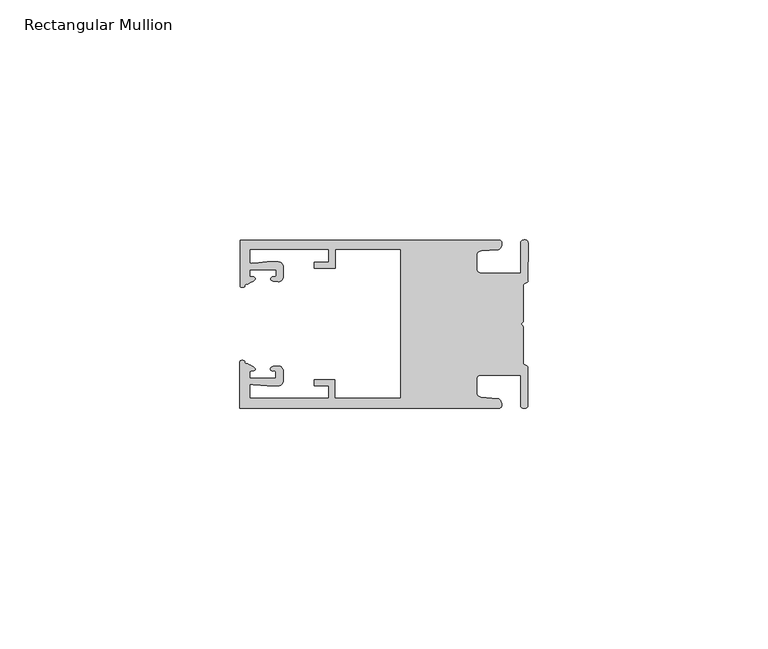
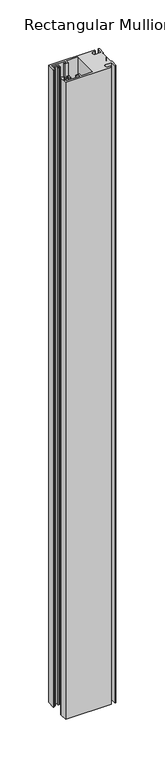
"""IFC4 building model written with IfcOpenShell, lengths in millimetres: member geometry, Rectangular Mullion."""

from ifc_helpers import new_model, si_unit, frame, origin, place, context, project, spatial, circle_curve, source, transform, mapped, element, save
from ifc_brep_helpers import plane_surface, cylinder_surface, extruded_surface, spline_curve, advanced_brep


def rectangular_mullion_fbc78e0f(model_context):
    return source(origin(), model_context, "Body", "AdvancedBrep", [
        advanced_brep(
        [(-60.0749377, 17.5111528, 0.0), (-60.0749377, 8.0140787, 0.0), (-59.3252567, 7.7187455, 0.0), (-58.4967974, 8.36785, 0.0), (-58.0726619, 10.1173923, 0.0), (-58.0713101, 11.3673916, 0.0), (-52.5713133, 11.3614437, 0.0), (-52.5726651, 10.1114444, 0.0), (-53.1427626, 8.8955539, 0.0), (-52.0740172, 8.8609044, 0.0), (-51.0729364, 9.8598224, 0.0), (-51.0706653, 11.9598211, 0.0), (-52.0700692, 12.9609024, 0.0), (-54.3905105, 12.9622843, 0.0), (-57.1599646, 12.7230061, 0.0), (-58.0696339, 12.9173907, 0.0), (-58.066768, 15.5673891, 0.0), (-41.5667584, 15.5673891, 0.0), (-41.5695894, 12.9495468, 0.0), (-44.5695877, 12.9527912, 0.0), (-44.5709936, 11.6527919, 0.0), (-40.2709961, 11.6481417, 0.0), (-40.2667576, 15.5673891, 0.0), (-26.6002952, 15.5673891, 0.0), (-26.6002952, -15.4518424, 0.0), (-40.3003032, -15.4518424, 0.0), (-40.2960856, -11.5518447, 0.0), (-44.5960831, -11.5471945, 0.0), (-44.597489, -12.8471938, 0.0), (-41.5974907, -12.8504381, 0.0), (-41.6003025, -15.4504366, 0.0), (-58.1002928, -15.4325927, 0.0), (-58.097427, -12.7825943, 0.0), (-57.1873395, -12.5901776, 0.0), (-54.4184094, -12.8354453, 0.0), (-52.0979705, -12.8390822, 0.0), (-51.0964037, -11.8401649, 0.0), (-51.0941327, -9.7401662, 0.0), (-52.0930507, -8.7390853, 0.0), (-53.1618685, -8.7714231, 0.0), (-52.5944022, -9.9885439, 0.0), (-52.595754, -11.2385431, 0.0), (-58.0957508, -11.2325952, 0.0), (-58.094399, -9.9825959, 0.0), (-58.5147494, -8.2321403, 0.0), (-59.3418028, -7.5812455, 0.0), (-60.0921208, -7.8749565, 0.0), (-60.0921208, -17.4888267, 0.0), (-6.1024861, -17.4888267, 0.0), (-6.5218639, -15.488372, 0.0), (-9.8784944, -15.2205466, 0.0), (-10.7989567, -14.2226333, 0.0), (-10.7961029, -11.5837474, 0.0), (-9.8734844, -10.5878272, 0.0), (-1.5950266, -10.5934991, 0.0), (-1.601948, -16.9936935, 0.0), (-0.1017194, -16.7830581, 0.0), (-0.0933208, -9.0170082, 0.0), (-1.0923837, -8.1499018, 0.0), (-1.0842165, -0.5977972, 0.0), (-1.0829111, 0.6093089, 0.0), (-1.0747439, 8.1614135, 0.0), (-0.0738079, 9.026357, 0.0), (-0.0654093, 16.7924069, 0.0), (-1.5651789, 17.0062866, 0.0), (-1.5651789, 10.6183257, 0.0), (-9.8505511, 10.6183257, 0.0), (-10.7710133, 11.6162391, 0.0), (-10.7681595, 14.255125, 0.0), (-9.845541, 15.2510452, 0.0), (-6.4883391, 15.5116099, 0.0), (-6.0646356, 17.5111528, 0.0), (-60.0749377, 17.5111528, -800.0), (-6.0646356, 17.5111528, -800.0), (-6.4883391, 15.5116099, -800.0), (-9.845541, 15.2510452, -800.0), (-10.7681595, 14.255125, -800.0), (-10.7710133, 11.6162391, -800.0), (-9.8505511, 10.6183257, -800.0), (-1.5651789, 10.6183257, -800.0), (-1.5651789, 17.0062866, -800.0), (-0.0654093, 16.7924069, -800.0), (-0.0738079, 9.026357, -800.0), (-1.0747439, 8.1614135, -800.0), (-1.0829111, 0.6093089, -800.0), (-1.0842165, -0.5977972, -800.0), (-1.0923837, -8.1499018, -800.0), (-0.0933208, -9.0170082, -800.0), (-0.1017194, -16.7830581, -800.0), (-1.601948, -16.9936935, -800.0), (-1.5950266, -10.5934991, -800.0), (-9.8734844, -10.5878272, -800.0), (-10.7961029, -11.5837474, -800.0), (-10.7989567, -14.2226333, -800.0), (-9.8784944, -15.2205466, -800.0), (-6.5218639, -15.488372, -800.0), (-6.1024861, -17.4888267, -800.0), (-60.0921208, -17.4888267, -800.0), (-60.0921208, -7.8749565, -800.0), (-59.3418028, -7.5812455, -800.0), (-58.5147494, -8.2321403, -800.0), (-58.094399, -9.9825959, -800.0), (-58.0957508, -11.2325952, -800.0), (-52.595754, -11.2385431, -800.0), (-52.5944022, -9.9885439, -800.0), (-53.1618685, -8.7714231, -800.0), (-52.0930507, -8.7390853, -800.0), (-51.0941327, -9.7401662, -800.0), (-51.0964037, -11.8401649, -800.0), (-52.0979705, -12.8390823, -800.0), (-54.4184094, -12.8354453, -800.0), (-57.1873395, -12.5901776, -800.0), (-58.097427, -12.7825943, -800.0), (-58.1002928, -15.4325927, -800.0), (-41.6003025, -15.4504366, -800.0), (-41.5974907, -12.8504381, -800.0), (-44.597489, -12.8471938, -800.0), (-44.5960831, -11.5471945, -800.0), (-40.2960856, -11.5518447, -800.0), (-40.3003032, -15.4518424, -800.0), (-26.6002952, -15.4518424, -800.0), (-26.6002952, 15.5673891, -800.0), (-40.2667576, 15.5673891, -800.0), (-40.2709961, 11.6481417, -800.0), (-44.5709936, 11.6527919, -800.0), (-44.5695877, 12.9527912, -800.0), (-41.5695894, 12.9495468, -800.0), (-41.5667584, 15.5673891, -800.0), (-58.066768, 15.5673891, -800.0), (-58.0696339, 12.9173907, -800.0), (-57.1599646, 12.7230061, -800.0), (-54.3905105, 12.9622843, -800.0), (-52.0700692, 12.9609023, -800.0), (-51.0706653, 11.9598211, -800.0), (-51.0729364, 9.8598224, -800.0), (-52.0740172, 8.8609044, -800.0), (-53.1427626, 8.8955539, -800.0), (-52.5726651, 10.1114444, -800.0), (-52.5713133, 11.3614437, -800.0), (-58.0713101, 11.3673916, -800.0), (-58.0726619, 10.1173923, -800.0), (-58.4967974, 8.36785, -800.0), (-59.3252567, 7.7187455, -800.0), (-60.0749377, 8.0140787, -800.0)],
        [
            (0, 1),
            (1, 2, spline_curve(3, [(-60.0749377, 8.0140787, 0.0), (-60.075233123, 7.740904774, 0.0), (-59.825339491, 7.642460332, 0.0), (-59.3252567, 7.7187455, 0.0)], [4, 4], [0.0, 0.0019169337574178654])),
            (2, 3, spline_curve(3, [(-59.3252567, 7.7187455, 0.0), (-59.094460914, 7.75918372, 0.0), (-59.054835463, 7.902257199, 0.0), (-59.05559987, 8.233305614, 0.0), (-59.138729113, 8.4134359, 0.0), (-58.4967974, 8.36785, 0.0)], [4, 2, 4], [0.0, 0.0010199524164107188, 0.0024874514725970356])),
            (3, 4, spline_curve(3, [(-58.4967974, 8.36785, 0.0), (-57.022393378, 9.053435667, 0.0), (-56.827266887, 9.364828726, 0.0), (-56.982213078, 9.742623404, 0.0), (-57.177375211, 9.855581791, 0.0), (-57.697928101, 9.887955071, 0.0), (-57.997449153, 9.835475348, 0.0), (-58.0726619, 10.1173923, 0.0)], [4, 2, 2, 4], [0.0, 0.003269869179570428, 0.005490050486237203, 0.0073545767114364426])),
            (4, 5),
            (5, 6),
            (6, 7),
            (7, 8, spline_curve(3, [(-52.5726651, 10.1114444, 0.0), (-52.667195519, 9.760172042, 0.0), (-52.937094388, 9.861877724, 0.0), (-53.356237032, 9.895631753, 0.0), (-53.491940439, 9.811038713, 0.0), (-53.761900775, 9.511438033, 0.0), (-53.892893546, 9.278787104, 0.0), (-53.1427626, 8.8955539, 0.0)], [4, 2, 2, 4], [0.0, 0.001593963049934732, 0.0033360256320283306, 0.005339140673503943])),
            (8, 9),
            (9, 10, circle_curve(frame((-52.0729358, 9.8609038, 0.0), z_axis=(0.0, 0.0, 1.0), x_axis=(-0.0010814451158600304, -0.9999994152380598, 0.0)), 1.0)),
            (10, 11),
            (11, 12, circle_curve(frame((-52.0706647, 11.9609026, 0.0), z_axis=(0.0, 0.0, 1.0), x_axis=(-0.0010814451158600304, -0.9999994152380598, 0.0)), 1.0)),
            (12, 13),
            (13, 14),
            (14, 15, spline_curve(3, [(-57.1599646, 12.7230061, 0.0), (-57.631533854, 12.682262968, 0.0), (-58.018602985, 12.477800124, 0.0), (-58.0696339, 12.9173907, 0.0)], [4, 4], [0.0, 0.0014803385355886016])),
            (15, 16),
            (16, 17),
            (17, 18),
            (18, 19),
            (19, 20),
            (20, 21),
            (21, 22),
            (22, 23),
            (23, 24),
            (24, 25),
            (25, 26),
            (26, 27),
            (27, 28),
            (28, 29),
            (29, 30),
            (30, 31),
            (31, 32),
            (32, 33, spline_curve(3, [(-58.097427, -12.7825943, 0.0), (-58.045445419, -12.343115126, 0.0), (-57.658819528, -12.548414611, 0.0), (-57.1873395, -12.5901776, 0.0)], [4, 4], [0.0, 0.0014803385355886016])),
            (33, 34),
            (34, 35),
            (35, 36, circle_curve(frame((-52.0964031, -11.8390835, 0.0), z_axis=(0.0, 0.0, 1.0), x_axis=(0.0010814451158600304, 0.9999994152380598, 0.0)), 1.0)),
            (36, 37),
            (37, 38, circle_curve(frame((-52.0941321, -9.7390847, 0.0), z_axis=(0.0, 0.0, 1.0), x_axis=(0.0010814451158600304, 0.9999994152380598, 0.0)), 1.0)),
            (38, 39),
            (39, 40, spline_curve(3, [(-53.1618685, -8.7714231, 0.0), (-53.912826582, -9.153032958, 0.0), (-53.782337352, -9.385966711, 0.0), (-53.51302565, -9.686150585, 0.0), (-53.377505444, -9.771037009, 0.0), (-52.958290774, -9.738189618, 0.0), (-52.688172635, -9.637067904, 0.0), (-52.5944022, -9.9885439, 0.0)], [4, 2, 2, 4], [0.0, 0.002003115041475612, 0.0037451776235692107, 0.005339140673503943])),
            (40, 41),
            (41, 42),
            (42, 43),
            (43, 44, spline_curve(3, [(-58.094399, -9.9825959, 0.0), (-58.018576674, -9.700842284, 0.0), (-57.719169706, -9.753969703, 0.0), (-57.198548014, -9.722722397, 0.0), (-57.003142178, -9.61018632, 0.0), (-56.847379222, -9.232727657, 0.0), (-57.041831673, -8.920913336, 0.0), (-58.5147494, -8.2321403, 0.0)], [4, 2, 2, 4], [0.0, 0.0018645262251992395, 0.004084707531866015, 0.0073545767114364426])),
            (44, 45, spline_curve(3, [(-58.5147494, -8.2321403, 0.0), (-59.156778208, -8.276337666, 0.0), (-59.073259494, -8.096387681, 0.0), (-59.071779067, -7.765341694, 0.0), (-59.111095017, -7.622182811, 0.0), (-59.3418028, -7.5812455, 0.0)], [4, 2, 4], [0.0, 0.0014674990561863168, 0.0024874514725970356])),
            (45, 46, spline_curve(3, [(-59.3418028, -7.5812455, 0.0), (-59.841719425, -7.503878887, 0.0), (-60.091825377, -7.601782574, 0.0), (-60.0921208, -7.8749565, 0.0)], [4, 4], [0.0, 0.0019169337574178654])),
            (46, 47),
            (47, 48),
            (48, 49, spline_curve(3, [(-6.1024861, -17.4888267, 0.0), (-5.074532184, -17.418062188, 0.0), (-5.631140689, -15.411414367, 0.0), (-6.5218639, -15.488372, 0.0)], [4, 4], [0.0, 0.0043819361547461745])),
            (49, 50),
            (50, 51, spline_curve(3, [(-9.8784944, -15.2205466, 0.0), (-10.440691543, -15.150698463, 0.0), (-10.74751234, -14.818060727, 0.0), (-10.7989567, -14.2226333, 0.0)], [4, 4], [0.0, 0.0028645797420738927])),
            (51, 52),
            (52, 53, spline_curve(3, [(-10.7961029, -11.5837474, 0.0), (-10.743370817, -10.988432634, 0.0), (-10.435831301, -10.656459204, 0.0), (-9.8734844, -10.5878272, 0.0)], [4, 4], [0.0, 0.0028645797420738927])),
            (53, 54),
            (54, 55),
            (55, 56, spline_curve(3, [(-1.601948, -16.9936935, 0.0), (-1.655676874, -17.600261454, 0.0), (-0.043737403, -17.912795581, 0.0), (-0.1017194, -16.7830581, 0.0)], [4, 4], [0.0, 0.0036987374396357936])),
            (56, 57),
            (57, 58, spline_curve(3, [(-0.0933208, -9.0170082, 0.0), (-0.018818183, -8.695886697, 0.0), (-1.193434327, -8.459763043, 0.0), (-1.0923837, -8.1499018, 0.0)], [4, 4], [0.0, 0.002027216749630121])),
            (58, 59),
            (59, 60, spline_curve(3, [(-1.0842165, -0.5977972, 0.0), (-1.013223198, -0.445980437, 0.0), (-1.487945123, -0.206736825, 0.0), (-1.487409651, 0.231097965, 0.0), (-0.999110985, 0.429090391, 0.0), (-1.0829111, 0.6093089, 0.0)], [4, 2, 4], [0.0, 0.00249866671847065, 0.005031402919736269])),
            (60, 61),
            (61, 62, spline_curve(3, [(-1.0747439, 8.1614135, 0.0), (-1.175124095, 8.47149258, 0.0), (-7e-09, 8.705075107, 0.0), (-0.0738079, 9.026357, 0.0)], [4, 4], [0.0, 0.002027216749630121])),
            (62, 63),
            (63, 64, spline_curve(3, [(-0.0654093, 16.7924069, 0.0), (-0.004983942, 17.92201633, 0.0), (-1.617595709, 17.612969344, 0.0), (-1.5651789, 17.0062866, 0.0)], [4, 4], [0.0, 0.0036987374396357936])),
            (64, 65),
            (65, 66),
            (66, 67, spline_curve(3, [(-9.8505511, 10.6183257, 0.0), (-10.412748243, 10.688173837, 0.0), (-10.71956894, 11.020811673, 0.0), (-10.7710133, 11.6162391, 0.0)], [4, 4], [0.0, 0.0028645797420738927])),
            (67, 68),
            (68, 69, spline_curve(3, [(-10.7681595, 14.255125, 0.0), (-10.715427417, 14.850439766, 0.0), (-10.407887901, 15.182413196, 0.0), (-9.845541, 15.2510452, 0.0)], [4, 4], [0.0, 0.0028645797420738927])),
            (69, 70),
            (70, 71, spline_curve(3, [(-6.4883391, 15.5116099, 0.0), (-5.597784423, 15.432725911, 0.0), (-5.036837144, 17.438165103, 0.0), (-6.0646356, 17.5111528, 0.0)], [4, 4], [0.0, 0.0043819361547461745])),
            (71, 0),
            (72, 73),
            (73, 74, spline_curve(3, [(-6.0646356, 17.5111528, -800.0), (-5.036837144, 17.438165103, -800.0), (-5.597784423, 15.432725911, -800.0), (-6.4883391, 15.5116099, -800.0)], [4, 4], [0.0, 0.0043819361547461745])),
            (74, 75),
            (75, 76, spline_curve(3, [(-9.845541, 15.2510452, -800.0), (-10.407887901, 15.182413196, -800.0), (-10.715427417, 14.850439766, -800.0), (-10.7681595, 14.255125, -800.0)], [4, 4], [0.0, 0.0028645797420738927])),
            (76, 77),
            (77, 78, spline_curve(3, [(-10.7710133, 11.6162391, -800.0), (-10.71956894, 11.020811673, -800.0), (-10.412748243, 10.688173837, -800.0), (-9.8505511, 10.6183257, -800.0)], [4, 4], [0.0, 0.0028645797420738927])),
            (78, 79),
            (79, 80),
            (80, 81, spline_curve(3, [(-1.5651789, 17.0062866, -800.0), (-1.617595709, 17.612969344, -800.0), (-0.004983942, 17.92201633, -800.0), (-0.0654093, 16.7924069, -800.0)], [4, 4], [0.0, 0.0036987374396357936])),
            (81, 82),
            (82, 83, spline_curve(3, [(-0.0738079, 9.026357, -800.0), (-7e-09, 8.705075107, -800.0), (-1.175124095, 8.47149258, -800.0), (-1.0747439, 8.1614135, -800.0)], [4, 4], [0.0, 0.002027216749630121])),
            (83, 84),
            (84, 85, spline_curve(3, [(-1.0829111, 0.6093089, -800.0), (-0.999110985, 0.429090391, -800.0), (-1.487409651, 0.231097965, -800.0), (-1.487945123, -0.206736825, -800.0), (-1.013223198, -0.445980437, -800.0), (-1.0842165, -0.5977972, -800.0)], [4, 2, 4], [0.0, 0.002532736201265619, 0.005031402919736269])),
            (85, 86),
            (86, 87, spline_curve(3, [(-1.0923837, -8.1499018, -800.0), (-1.193434327, -8.459763043, -800.0), (-0.018818183, -8.695886697, -800.0), (-0.0933208, -9.0170082, -800.0)], [4, 4], [0.0, 0.002027216749630121])),
            (87, 88),
            (88, 89, spline_curve(3, [(-0.1017194, -16.7830581, -800.0), (-0.043737403, -17.912795581, -800.0), (-1.655676874, -17.600261454, -800.0), (-1.601948, -16.9936935, -800.0)], [4, 4], [0.0, 0.0036987374396357936])),
            (89, 90),
            (90, 91),
            (91, 92, spline_curve(3, [(-9.8734844, -10.5878272, -800.0), (-10.435831301, -10.656459204, -800.0), (-10.743370817, -10.988432634, -800.0), (-10.7961029, -11.5837474, -800.0)], [4, 4], [0.0, 0.0028645797420738927])),
            (92, 93),
            (93, 94, spline_curve(3, [(-10.7989567, -14.2226333, -800.0), (-10.74751234, -14.818060727, -800.0), (-10.440691543, -15.150698463, -800.0), (-9.8784944, -15.2205466, -800.0)], [4, 4], [0.0, 0.0028645797420738927])),
            (94, 95),
            (95, 96, spline_curve(3, [(-6.5218639, -15.488372, -800.0), (-5.631140689, -15.411414367, -800.0), (-5.074532184, -17.418062188, -800.0), (-6.1024861, -17.4888267, -800.0)], [4, 4], [0.0, 0.0043819361547461745])),
            (96, 97),
            (97, 98),
            (98, 99, spline_curve(3, [(-60.0921208, -7.8749565, -800.0), (-60.091825377, -7.601782574, -800.0), (-59.841719425, -7.503878887, -800.0), (-59.3418028, -7.5812455, -800.0)], [4, 4], [0.0, 0.0019169337574178654])),
            (99, 100, spline_curve(3, [(-59.3418028, -7.5812455, -800.0), (-59.111095017, -7.622182811, -800.0), (-59.071779067, -7.765341694, -800.0), (-59.073259494, -8.096387681, -800.0), (-59.156778208, -8.276337666, -800.0), (-58.5147494, -8.2321403, -800.0)], [4, 2, 4], [0.0, 0.0010199524164107188, 0.0024874514725970356])),
            (100, 101, spline_curve(3, [(-58.5147494, -8.2321403, -800.0), (-57.041831673, -8.920913336, -800.0), (-56.847379222, -9.232727657, -800.0), (-57.003142178, -9.61018632, -800.0), (-57.198548014, -9.722722397, -800.0), (-57.719169706, -9.753969703, -800.0), (-58.018576674, -9.700842284, -800.0), (-58.094399, -9.9825959, -800.0)], [4, 2, 2, 4], [0.0, 0.003269869179570428, 0.005490050486237203, 0.0073545767114364426])),
            (101, 102),
            (102, 103),
            (103, 104),
            (104, 105, spline_curve(3, [(-52.5944022, -9.9885439, -800.0), (-52.688172635, -9.637067904, -800.0), (-52.958290774, -9.738189618, -800.0), (-53.377505444, -9.771037009, -800.0), (-53.51302565, -9.686150585, -800.0), (-53.782337352, -9.385966711, -800.0), (-53.912826582, -9.153032958, -800.0), (-53.1618685, -8.7714231, -800.0)], [4, 2, 2, 4], [0.0, 0.001593963049934732, 0.0033360256320283306, 0.005339140673503943])),
            (105, 106),
            (106, 107, circle_curve(frame((-52.0941321, -9.7390847, -800.0), z_axis=(0.0, 0.0, -1.0), x_axis=(0.0010814451158600304, 0.9999994152380598, 0.0)), 1.0)),
            (107, 108),
            (108, 109, circle_curve(frame((-52.0964031, -11.8390835, -800.0), z_axis=(0.0, 0.0, -1.0), x_axis=(0.0010814451158600304, 0.9999994152380598, 0.0)), 1.0)),
            (109, 110),
            (110, 111),
            (111, 112, spline_curve(3, [(-57.1873395, -12.5901776, -800.0), (-57.658819528, -12.548414611, -800.0), (-58.045445419, -12.343115126, -800.0), (-58.097427, -12.7825943, -800.0)], [4, 4], [0.0, 0.0014803385355886016])),
            (112, 113),
            (113, 114),
            (114, 115),
            (115, 116),
            (116, 117),
            (117, 118),
            (118, 119),
            (119, 120),
            (120, 121),
            (121, 122),
            (122, 123),
            (123, 124),
            (124, 125),
            (125, 126),
            (126, 127),
            (127, 128),
            (128, 129),
            (129, 130, spline_curve(3, [(-58.0696339, 12.9173907, -800.0), (-58.018602985, 12.477800124, -800.0), (-57.631533854, 12.682262968, -800.0), (-57.1599646, 12.7230061, -800.0)], [4, 4], [0.0, 0.0014803385355886016])),
            (130, 131),
            (131, 132),
            (132, 133, circle_curve(frame((-52.0706647, 11.9609026, -800.0), z_axis=(0.0, 0.0, -1.0), x_axis=(-0.0010814451158600304, -0.9999994152380598, 0.0)), 1.0)),
            (133, 134),
            (134, 135, circle_curve(frame((-52.0729358, 9.8609038, -800.0), z_axis=(0.0, 0.0, -1.0), x_axis=(-0.0010814451158600304, -0.9999994152380598, 0.0)), 1.0)),
            (135, 136),
            (136, 137, spline_curve(3, [(-53.1427626, 8.8955539, -800.0), (-53.892893546, 9.278787104, -800.0), (-53.761900775, 9.511438033, -800.0), (-53.491940439, 9.811038713, -800.0), (-53.356237032, 9.895631753, -800.0), (-52.937094388, 9.861877724, -800.0), (-52.667195519, 9.760172042, -800.0), (-52.5726651, 10.1114444, -800.0)], [4, 2, 2, 4], [0.0, 0.002003115041475612, 0.0037451776235692107, 0.005339140673503943])),
            (137, 138),
            (138, 139),
            (139, 140),
            (140, 141, spline_curve(3, [(-58.0726619, 10.1173923, -800.0), (-57.997449153, 9.835475348, -800.0), (-57.697928101, 9.887955071, -800.0), (-57.177375211, 9.855581791, -800.0), (-56.982213078, 9.742623404, -800.0), (-56.827266887, 9.364828726, -800.0), (-57.022393378, 9.053435667, -800.0), (-58.4967974, 8.36785, -800.0)], [4, 2, 2, 4], [0.0, 0.0018645262251992395, 0.004084707531866015, 0.0073545767114364426])),
            (141, 142, spline_curve(3, [(-58.4967974, 8.36785, -800.0), (-59.138729113, 8.4134359, -800.0), (-59.05559987, 8.233305614, -800.0), (-59.054835463, 7.902257199, -800.0), (-59.094460914, 7.75918372, -800.0), (-59.3252567, 7.7187455, -800.0)], [4, 2, 4], [0.0, 0.0014674990561863168, 0.0024874514725970356])),
            (142, 143, spline_curve(3, [(-59.3252567, 7.7187455, -800.0), (-59.825339491, 7.642460332, -800.0), (-60.075233123, 7.740904774, -800.0), (-60.0749377, 8.0140787, -800.0)], [4, 4], [0.0, 0.0019169337574178654])),
            (143, 72),
            (0, 72),
            (143, 1),
            (142, 2),
            (141, 3),
            (140, 4),
            (139, 5),
            (138, 6),
            (137, 7),
            (136, 8),
            (135, 9),
            (134, 10),
            (133, 11),
            (132, 12),
            (131, 13),
            (130, 14),
            (129, 15),
            (128, 16),
            (127, 17),
            (126, 18),
            (125, 19),
            (124, 20),
            (123, 21),
            (122, 22),
            (121, 23),
            (120, 24),
            (119, 25),
            (118, 26),
            (117, 27),
            (116, 28),
            (115, 29),
            (114, 30),
            (113, 31),
            (112, 32),
            (111, 33),
            (110, 34),
            (109, 35),
            (108, 36),
            (107, 37),
            (106, 38),
            (105, 39),
            (104, 40),
            (103, 41),
            (102, 42),
            (101, 43),
            (100, 44),
            (99, 45),
            (98, 46),
            (97, 47),
            (96, 48),
            (95, 49),
            (94, 50),
            (93, 51),
            (92, 52),
            (91, 53),
            (90, 54),
            (89, 55),
            (88, 56),
            (87, 57),
            (86, 58),
            (85, 59),
            (84, 60),
            (83, 61),
            (82, 62),
            (81, 63),
            (80, 64),
            (79, 65),
            (78, 66),
            (77, 67),
            (76, 68),
            (75, 69),
            (74, 70),
            (73, 71),
        ],
        [
            plane_surface(frame((0.0, -62.5853181, 0.0), z_axis=(0.0, 0.0, 1.0), x_axis=(-1.0, 0.0, 0.0))),
            plane_surface(frame((0.0, -62.5853181, -800.0), z_axis=(0.0, 0.0, -1.0), x_axis=(-1.0, 0.0, 0.0))),
            plane_surface(frame((-60.0749377, 17.5111528, 0.0), z_axis=(-1.0, 0.0, 0.0), x_axis=(0.0, 0.0, -1.0))),
            extruded_surface(spline_curve(3, [(-60.0749377, 8.0140787, -800.0), (-60.075233123, 7.740904774, -800.0), (-59.825339491, 7.642460332, -800.0), (-59.3252567, 7.7187455, -800.0)], [4, 4], [0.0, 0.0019169337574178654]), (0.0, 0.0, 800.0), 800.0),
            extruded_surface(spline_curve(3, [(-59.3252567, 7.7187455, -800.0), (-59.094460914, 7.75918372, -800.0), (-59.054835463, 7.902257199, -800.0), (-59.05559987, 8.233305614, -800.0), (-59.138729113, 8.4134359, -800.0), (-58.4967974, 8.36785, -800.0)], [4, 2, 4], [0.0, 0.0010199524164107188, 0.0024874514725970356]), (0.0, 0.0, 800.0), 800.0),
            extruded_surface(spline_curve(3, [(-58.4967974, 8.36785, -800.0), (-57.022393378, 9.053435667, -800.0), (-56.827266887, 9.364828726, -800.0), (-56.982213078, 9.742623404, -800.0), (-57.177375211, 9.855581791, -800.0), (-57.697928101, 9.887955071, -800.0), (-57.997449153, 9.835475348, -800.0), (-58.0726619, 10.1173923, -800.0)], [4, 2, 2, 4], [0.0, 0.003269869179570428, 0.005490050486237203, 0.0073545767114364426]), (0.0, 0.0, 800.0), 800.0),
            plane_surface(frame((-58.0726619, 10.1173923, 0.0), z_axis=(0.9999994152380598, -0.0010814451158634145, 0.0), x_axis=(0.0, 0.0, -1.0))),
            plane_surface(frame((-58.0713101, 11.3673916, 0.0), z_axis=(-0.0010814451158616418, -0.9999994152380598, 0.0), x_axis=(0.0, 0.0, -1.0))),
            plane_surface(frame((-52.5713133, 11.3614437, 0.0), z_axis=(-0.9999994152380598, 0.0010814451158643293, 0.0), x_axis=(0.0, 0.0, -1.0))),
            extruded_surface(spline_curve(3, [(-52.5726651, 10.1114444, -800.0), (-52.667195519, 9.760172042, -800.0), (-52.937094388, 9.861877724, -800.0), (-53.356237032, 9.895631753, -800.0), (-53.491940439, 9.811038713, -800.0), (-53.761900775, 9.511438033, -800.0), (-53.892893546, 9.278787104, -800.0), (-53.1427626, 8.8955539, -800.0)], [4, 2, 2, 4], [0.0, 0.001593963049934732, 0.0033360256320283306, 0.005339140673503943]), (0.0, 0.0, 800.0), 800.0),
            plane_surface(frame((-53.1427626, 8.8955539, 0.0), z_axis=(-0.032403661401520414, -0.9994748634797054, 0.0), x_axis=(0.0, 0.0, -1.0))),
            cylinder_surface(frame((-52.0729358, 9.8609038, 0.0), z_axis=(0.0, 0.0, 1.0000000000000002), x_axis=(-0.0010814451158600304, -0.9999994152380598, 0.0)), 1.0),
            plane_surface(frame((-51.0729364, 9.8598224, 0.0), z_axis=(0.9999994152380598, -0.001081445115864059, 0.0), x_axis=(0.0, 0.0, -1.0))),
            cylinder_surface(frame((-52.0706647, 11.9609026, 0.0), z_axis=(0.0, 0.0, 1.0000000000000002), x_axis=(-0.0010814451158600304, -0.9999994152380598, 0.0)), 1.0),
            plane_surface(frame((-52.0700692, 12.9609023, 0.0), z_axis=(0.0005955716436318007, 0.999999822647193, 0.0), x_axis=(0.0, 0.0, -1.0))),
            plane_surface(frame((-54.3905105, 12.9622843, 0.0), z_axis=(-0.08607836189159865, 0.9962883697073147, 0.0), x_axis=(0.0, 0.0, -1.0))),
            extruded_surface(spline_curve(3, [(-57.1599646, 12.7230061, -800.0), (-57.631533854, 12.682262968, -800.0), (-58.018602985, 12.477800124, -800.0), (-58.0696339, 12.9173907, -800.0)], [4, 4], [0.0, 0.0014803385355886016]), (0.0, 0.0, 800.0), 800.0),
            plane_surface(frame((-58.0696339, 12.9173907, 0.0), z_axis=(0.9999994152380598, -0.0010814451158629996, 0.0), x_axis=(0.0, 0.0, -1.0))),
            plane_surface(frame((-58.066768, 15.5673891, 0.0), z_axis=(0.0, -1.0, 0.0), x_axis=(0.0, 0.0, -1.0))),
            plane_surface(frame((-41.5667584, 15.5673891, 0.0), z_axis=(-0.9999994152380598, 0.0010814451158636304, 0.0), x_axis=(0.0, 0.0, -1.0))),
            plane_surface(frame((-41.5695894, 12.9495468, 0.0), z_axis=(0.0010814451158615687, 0.9999994152380598, 0.0), x_axis=(0.0, 0.0, -1.0))),
            plane_surface(frame((-44.5695877, 12.9527912, 0.0), z_axis=(-0.9999994152380598, 0.0010814451158626742, 0.0), x_axis=(0.0, 0.0, -1.0))),
            plane_surface(frame((-44.5709936, 11.6527919, 0.0), z_axis=(-0.001081445115861604, -0.9999994152380598, 0.0), x_axis=(0.0, 0.0, -1.0))),
            plane_surface(frame((-40.2709961, 11.6481417, 0.0), z_axis=(0.9999994152380598, -0.001081445115863507, 0.0), x_axis=(0.0, 0.0, -1.0))),
            plane_surface(frame((-40.2667576, 15.5673891, 0.0), z_axis=(0.0, -1.0, 0.0), x_axis=(0.0, 0.0, -1.0))),
            plane_surface(frame((-26.6002952, 15.5673891, 0.0), z_axis=(-1.0, 0.0, 0.0), x_axis=(0.0, 0.0, -1.0))),
            plane_surface(frame((-26.6002952, -15.4518424, 0.0), z_axis=(0.0, 1.0, 0.0), x_axis=(0.0, 0.0, -1.0))),
            plane_surface(frame((-40.3003032, -15.4518424, 0.0), z_axis=(0.9999994152380598, -0.0010814451158565538, 0.0), x_axis=(0.0, 0.0, -1.0))),
            plane_surface(frame((-40.2960856, -11.5518447, 0.0), z_axis=(0.0010814451158584568, 0.9999994152380598, 0.0), x_axis=(0.0, 0.0, -1.0))),
            plane_surface(frame((-44.5960831, -11.5471945, 0.0), z_axis=(-0.9999994152380598, 0.0010814451158573867, 0.0), x_axis=(0.0, 0.0, -1.0))),
            plane_surface(frame((-44.597489, -12.8471938, 0.0), z_axis=(-0.0010814451158584922, -0.9999994152380598, 0.0), x_axis=(0.0, 0.0, -1.0))),
            plane_surface(frame((-41.5974907, -12.8504381, 0.0), z_axis=(-0.9999994152380598, 0.0010814451158564305, 0.0), x_axis=(0.0, 0.0, -1.0))),
            plane_surface(frame((-41.6003025, -15.4504366, 0.0), z_axis=(0.0010814451158583872, 0.9999994152380598, 0.0), x_axis=(0.0, 0.0, -1.0))),
            plane_surface(frame((-58.1002928, -15.4325927, 0.0), z_axis=(0.9999994152380598, -0.0010814451158570612, 0.0), x_axis=(0.0, 0.0, -1.0))),
            extruded_surface(spline_curve(3, [(-58.097427, -12.7825943, -800.0), (-58.045445419, -12.343115126, -800.0), (-57.658819528, -12.548414611, -800.0), (-57.1873395, -12.5901776, -800.0)], [4, 4], [0.0, 0.0014803385355886016]), (0.0, 0.0, 800.0), 800.0),
            plane_surface(frame((-57.1873395, -12.5901776, 0.0), z_axis=(-0.0882330216729926, -0.9960998614026876, 0.0), x_axis=(0.0, 0.0, -1.0))),
            plane_surface(frame((-54.4184094, -12.8354453, 0.0), z_axis=(-0.0015673183327880543, -0.9999987717558677, 0.0), x_axis=(0.0, 0.0, -1.0))),
            cylinder_surface(frame((-52.0964031, -11.8390835, 0.0), z_axis=(0.0, 0.0, 1.0000000000000002), x_axis=(0.0010814451158600304, 0.9999994152380598, 0.0)), 1.0),
            plane_surface(frame((-51.0964037, -11.8401649, 0.0), z_axis=(0.9999994152380598, -0.001081445115856002, 0.0), x_axis=(0.0, 0.0, -1.0))),
            cylinder_surface(frame((-52.0941321, -9.7390847, 0.0), z_axis=(0.0, 0.0, 1.0000000000000002), x_axis=(0.0010814451158600304, 0.9999994152380598, 0.0)), 1.0),
            plane_surface(frame((-52.0930507, -8.7390853, 0.0), z_axis=(-0.030241832452872642, 0.9995426111826812, 0.0), x_axis=(0.0, 0.0, -1.0))),
            extruded_surface(spline_curve(3, [(-53.1618685, -8.7714231, -800.0), (-53.912826582, -9.153032958, -800.0), (-53.782337352, -9.385966711, -800.0), (-53.51302565, -9.686150585, -800.0), (-53.377505444, -9.771037009, -800.0), (-52.958290774, -9.738189618, -800.0), (-52.688172635, -9.637067904, -800.0), (-52.5944022, -9.9885439, -800.0)], [4, 2, 2, 4], [0.0, 0.002003115041475612, 0.0037451776235692107, 0.005339140673503943]), (0.0, 0.0, 800.0), 800.0),
            plane_surface(frame((-52.5944022, -9.9885439, 0.0), z_axis=(-0.9999994152380598, 0.0010814451158557316, 0.0), x_axis=(0.0, 0.0, -1.0))),
            plane_surface(frame((-52.595754, -11.2385431, 0.0), z_axis=(0.001081445115858419, 0.9999994152380598, 0.0), x_axis=(0.0, 0.0, -1.0))),
            plane_surface(frame((-58.0957508, -11.2325952, 0.0), z_axis=(0.9999994152380598, -0.0010814451158566464, 0.0), x_axis=(0.0, 0.0, -1.0))),
            extruded_surface(spline_curve(3, [(-58.094399, -9.9825959, -800.0), (-58.018576674, -9.700842284, -800.0), (-57.719169706, -9.753969703, -800.0), (-57.198548014, -9.722722397, -800.0), (-57.003142178, -9.61018632, -800.0), (-56.847379222, -9.232727657, -800.0), (-57.041831673, -8.920913336, -800.0), (-58.5147494, -8.2321403, -800.0)], [4, 2, 2, 4], [0.0, 0.0018645262251992395, 0.004084707531866015, 0.0073545767114364426]), (0.0, 0.0, 800.0), 800.0),
            extruded_surface(spline_curve(3, [(-58.5147494, -8.2321403, -800.0), (-59.156778208, -8.276337666, -800.0), (-59.073259494, -8.096387681, -800.0), (-59.071779067, -7.765341694, -800.0), (-59.111095017, -7.622182811, -800.0), (-59.3418028, -7.5812455, -800.0)], [4, 2, 4], [0.0, 0.0014674990561863168, 0.0024874514725970356]), (0.0, 0.0, 800.0), 800.0),
            extruded_surface(spline_curve(3, [(-59.3418028, -7.5812455, -800.0), (-59.841719425, -7.503878887, -800.0), (-60.091825377, -7.601782574, -800.0), (-60.0921208, -7.8749565, -800.0)], [4, 4], [0.0, 0.0019169337574178654]), (0.0, 0.0, 800.0), 800.0),
            plane_surface(frame((-60.0921208, -7.8749565, 0.0), z_axis=(-1.0, 0.0, 0.0), x_axis=(0.0, 0.0, -1.0))),
            plane_surface(frame((-60.0921208, -17.4888267, 0.0), z_axis=(0.0, -1.0, 0.0), x_axis=(0.0, 0.0, -1.0))),
            extruded_surface(spline_curve(3, [(-6.1024861, -17.4888267, -800.0), (-5.074532184, -17.418062188, -800.0), (-5.631140689, -15.411414367, -800.0), (-6.5218639, -15.488372, -800.0)], [4, 4], [0.0, 0.0043819361547461745]), (0.0, 0.0, 800.0), 800.0),
            plane_surface(frame((-6.5218639, -15.488372, 0.0), z_axis=(0.07953716124904908, 0.9968319015663789, 0.0), x_axis=(0.0, 0.0, -1.0))),
            extruded_surface(spline_curve(3, [(-9.8784944, -15.2205466, -800.0), (-10.440691543, -15.150698463, -800.0), (-10.74751234, -14.818060727, -800.0), (-10.7989567, -14.2226333, -800.0)], [4, 4], [0.0, 0.0028645797420738927]), (0.0, 0.0, 800.0), 800.0),
            plane_surface(frame((-10.7989567, -14.2226333, 0.0), z_axis=(0.9999994152380598, -0.0010814451158568247, 0.0), x_axis=(0.0, 0.0, -1.0))),
            extruded_surface(spline_curve(3, [(-10.7961029, -11.5837474, -800.0), (-10.743370817, -10.988432634, -800.0), (-10.435831301, -10.656459204, -800.0), (-9.8734844, -10.5878272, -800.0)], [4, 4], [0.0, 0.0028645797420738927]), (0.0, 0.0, 800.0), 800.0),
            plane_surface(frame((-9.8734844, -10.5878272, 0.0), z_axis=(-0.0006851371995361226, -0.9999997652934814, 0.0), x_axis=(0.0, 0.0, -1.0))),
            plane_surface(frame((-1.5950266, -10.5934991, 0.0), z_axis=(-0.9999994152380598, 0.0010814451158568644, 0.0), x_axis=(0.0, 0.0, -1.0))),
            extruded_surface(spline_curve(3, [(-1.601948, -16.9936935, -800.0), (-1.655676874, -17.600261454, -800.0), (-0.043737403, -17.912795581, -800.0), (-0.1017194, -16.7830581, -800.0)], [4, 4], [0.0, 0.0036987374396357936]), (0.0, 0.0, 800.0), 800.0),
            plane_surface(frame((-0.1017194, -16.7830581, 0.0), z_axis=(0.9999994152380598, -0.001081445115856699, 0.0), x_axis=(0.0, 0.0, -1.0))),
            extruded_surface(spline_curve(3, [(-0.0933208, -9.0170082, -800.0), (-0.018818183, -8.695886697, -800.0), (-1.193434327, -8.459763043, -800.0), (-1.0923837, -8.1499018, -800.0)], [4, 4], [0.0, 0.002027216749630121]), (0.0, 0.0, 800.0), 800.0),
            plane_surface(frame((-1.0923837, -8.1499018, 0.0), z_axis=(0.9999994152380598, -0.0010814451158566698, 0.0), x_axis=(0.0, 0.0, -1.0))),
            extruded_surface(spline_curve(3, [(-1.0842165, -0.5977972, -800.0), (-1.013223198, -0.445980437, -800.0), (-1.487945123, -0.206736825, -800.0), (-1.487409651, 0.231097965, -800.0), (-0.999110985, 0.429090391, -800.0), (-1.0829111, 0.6093089, -800.0)], [4, 2, 4], [0.0, 0.00249866671847065, 0.005031402919736269]), (0.0, 0.0, 800.0), 800.0),
            plane_surface(frame((-1.0829111, 0.6093089, 0.0), z_axis=(0.9999994152380598, -0.001081445115863391, 0.0), x_axis=(0.0, 0.0, -1.0))),
            extruded_surface(spline_curve(3, [(-1.0747439, 8.1614135, -800.0), (-1.175124095, 8.47149258, -800.0), (-7e-09, 8.705075107, -800.0), (-0.0738079, 9.026357, -800.0)], [4, 4], [0.0, 0.002027216749630121]), (0.0, 0.0, 800.0), 800.0),
            plane_surface(frame((-0.0738079, 9.026357, 0.0), z_axis=(0.9999994152380598, -0.001081445115863362, 0.0), x_axis=(0.0, 0.0, -1.0))),
            extruded_surface(spline_curve(3, [(-0.0654093, 16.7924069, -800.0), (-0.004983942, 17.92201633, -800.0), (-1.617595709, 17.612969344, -800.0), (-1.5651789, 17.0062866, -800.0)], [4, 4], [0.0, 0.0036987374396357936]), (0.0, 0.0, 800.0), 800.0),
            plane_surface(frame((-1.5651789, 17.0062866, 0.0), z_axis=(-1.0, 0.0, 0.0), x_axis=(0.0, 0.0, -1.0))),
            plane_surface(frame((-1.5651789, 10.6183257, 0.0), z_axis=(0.0, 1.0, 0.0), x_axis=(0.0, 0.0, -1.0))),
            extruded_surface(spline_curve(3, [(-9.8505511, 10.6183257, -800.0), (-10.412748243, 10.688173837, -800.0), (-10.71956894, 11.020811673, -800.0), (-10.7710133, 11.6162391, -800.0)], [4, 4], [0.0, 0.0028645797420738927]), (0.0, 0.0, 800.0), 800.0),
            plane_surface(frame((-10.7710133, 11.6162391, 0.0), z_axis=(0.9999994152380598, -0.0010814451158632362, 0.0), x_axis=(0.0, 0.0, -1.0))),
            extruded_surface(spline_curve(3, [(-10.7681595, 14.255125, -800.0), (-10.715427417, 14.850439766, -800.0), (-10.407887901, 15.182413196, -800.0), (-9.845541, 15.2510452, -800.0)], [4, 4], [0.0, 0.0028645797420738927]), (0.0, 0.0, 800.0), 800.0),
            plane_surface(frame((-9.845541, 15.2510452, 0.0), z_axis=(0.07738093848608862, -0.9970015999781607, 0.0), x_axis=(0.0, 0.0, -1.0))),
            extruded_surface(spline_curve(3, [(-6.4883391, 15.5116099, -800.0), (-5.597784423, 15.432725911, -800.0), (-5.036837144, 17.438165103, -800.0), (-6.0646356, 17.5111528, -800.0)], [4, 4], [0.0, 0.0043819361547461745]), (0.0, 0.0, 800.0), 800.0),
            plane_surface(frame((-6.0646356, 17.5111528, 0.0), z_axis=(0.0, 1.0, 0.0), x_axis=(0.0, 0.0, -1.0))),
        ],
        [
            (0, [[1, 2, 3, 4, 5, 6, 7, 8, 9, 10, 11, 12, 13, 14, 15, 16, 17, 18, 19, 20, 21, 22, 23, 24, 25, 26, 27, 28, 29, 30, 31, 32, 33, 34, 35, 36, 37, 38, 39, 40, 41, 42, 43, 44, 45, 46, 47, 48, 49, 50, 51, 52, 53, 54, 55, 56, 57, 58, 59, 60, 61, 62, 63, 64, 65, 66, 67, 68, 69, 70, 71, 72]]),
            (1, [[73, 74, 75, 76, 77, 78, 79, 80, 81, 82, 83, 84, 85, 86, 87, 88, 89, 90, 91, 92, 93, 94, 95, 96, 97, 98, 99, 100, 101, 102, 103, 104, 105, 106, 107, 108, 109, 110, 111, 112, 113, 114, 115, 116, 117, 118, 119, 120, 121, 122, 123, 124, 125, 126, 127, 128, 129, 130, 131, 132, 133, 134, 135, 136, 137, 138, 139, 140, 141, 142, 143, 144]]),
            (2, [[-1, 145, -144, 146]]),
            (3, [[-2, -146, -143, 147]]),
            (4, [[-3, -147, -142, 148]]),
            (5, [[-4, -148, -141, 149]]),
            (6, [[-5, -149, -140, 150]]),
            (7, [[-6, -150, -139, 151]]),
            (8, [[-7, -151, -138, 152]]),
            (9, [[-8, -152, -137, 153]]),
            (10, [[-9, -153, -136, 154]]),
            (11, [[-10, -154, -135, 155]]),
            (12, [[-11, -155, -134, 156]]),
            (13, [[-12, -156, -133, 157]]),
            (14, [[-13, -157, -132, 158]]),
            (15, [[-14, -158, -131, 159]]),
            (16, [[-15, -159, -130, 160]]),
            (17, [[-16, -160, -129, 161]]),
            (18, [[-17, -161, -128, 162]]),
            (19, [[-18, -162, -127, 163]]),
            (20, [[-19, -163, -126, 164]]),
            (21, [[-20, -164, -125, 165]]),
            (22, [[-21, -165, -124, 166]]),
            (23, [[-22, -166, -123, 167]]),
            (24, [[-23, -167, -122, 168]]),
            (25, [[-24, -168, -121, 169]]),
            (26, [[-25, -169, -120, 170]]),
            (27, [[-26, -170, -119, 171]]),
            (28, [[-27, -171, -118, 172]]),
            (29, [[-28, -172, -117, 173]]),
            (30, [[-29, -173, -116, 174]]),
            (31, [[-30, -174, -115, 175]]),
            (32, [[-31, -175, -114, 176]]),
            (33, [[-32, -176, -113, 177]]),
            (34, [[-33, -177, -112, 178]]),
            (35, [[-34, -178, -111, 179]]),
            (36, [[-35, -179, -110, 180]]),
            (37, [[-36, -180, -109, 181]]),
            (38, [[-37, -181, -108, 182]]),
            (39, [[-38, -182, -107, 183]]),
            (40, [[-39, -183, -106, 184]]),
            (41, [[-40, -184, -105, 185]]),
            (42, [[-41, -185, -104, 186]]),
            (43, [[-42, -186, -103, 187]]),
            (44, [[-43, -187, -102, 188]]),
            (45, [[-44, -188, -101, 189]]),
            (46, [[-45, -189, -100, 190]]),
            (47, [[-46, -190, -99, 191]]),
            (48, [[-47, -191, -98, 192]]),
            (49, [[-48, -192, -97, 193]]),
            (50, [[-49, -193, -96, 194]]),
            (51, [[-50, -194, -95, 195]]),
            (52, [[-51, -195, -94, 196]]),
            (53, [[-52, -196, -93, 197]]),
            (54, [[-53, -197, -92, 198]]),
            (55, [[-54, -198, -91, 199]]),
            (56, [[-55, -199, -90, 200]]),
            (57, [[-56, -200, -89, 201]]),
            (58, [[-57, -201, -88, 202]]),
            (59, [[-58, -202, -87, 203]]),
            (60, [[-59, -203, -86, 204]]),
            (61, [[-60, -204, -85, 205]]),
            (62, [[-61, -205, -84, 206]]),
            (63, [[-62, -206, -83, 207]]),
            (64, [[-63, -207, -82, 208]]),
            (65, [[-64, -208, -81, 209]]),
            (66, [[-65, -209, -80, 210]]),
            (67, [[-66, -210, -79, 211]]),
            (68, [[-67, -211, -78, 212]]),
            (69, [[-68, -212, -77, 213]]),
            (70, [[-69, -213, -76, 214]]),
            (71, [[-70, -214, -75, 215]]),
            (72, [[-71, -215, -74, 216]]),
            (73, [[-72, -216, -73, -145]]),
        ],
    ),
    ])


if __name__ == "__main__":
    model = new_model("IFC4")
    model_context = context("Model", 3, world=origin())
    ifc_project = project(units=[si_unit("LENGTHUNIT", "METRE", prefix="MILLI")], contexts=[model_context])
    site = spatial("IfcSite", under=ifc_project)
    building = spatial("IfcBuilding", under=site)
    placement = place(None, origin())
    rectangular_mullion_shape = rectangular_mullion_fbc78e0f(model_context)
    element("IfcMember", 1, ObjectType="Rectangular Mullion", at=placement, inside=building, context=model_context, shape_type="MappedRepresentation", body=[
        mapped(rectangular_mullion_shape, transform((0.0, 0.0, 0.0), x_axis=(1.0, 0.0, 0.0), y_axis=(0.0, 1.0, 0.0), z_axis=(0.0, 0.0, 1.0))),
    ])
    save(model, "model.ifc")
